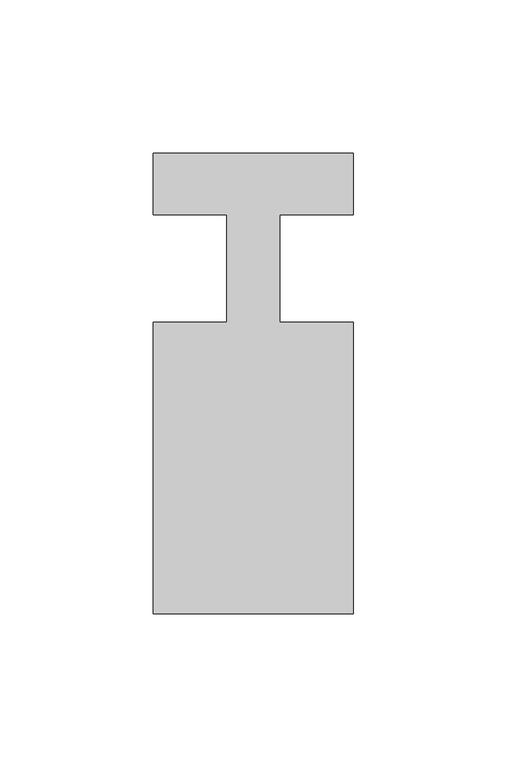
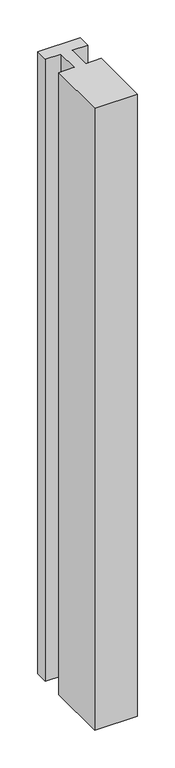
"""IFC4 building model written with IfcOpenShell, lengths in millimetres: member geometry."""

from ifc_helpers import new_model, si_unit, frame, origin, place, context, project, spatial, polyline, outline, extrude, source, transform, mapped, element, save


def member_efe6ae85(model_context):
    return source(origin(), model_context, "Body", "SweptSolid", [
        extrude(outline(polyline([(-65.0, 37.0), (0.0, 37.0), (0.0, 17.0), (-23.8125, 17.0), (-23.8125, -18.0), (0.0, -18.0), (0.0, -113.0), (-65.0, -113.0), (-65.0, -18.0), (-41.1875, -18.0), (-41.1875, 17.0), (-65.0, 17.0), (-65.0, 37.0)])), frame((0.0, 0.0, -1004.0982143), z_axis=(0.0, 0.0, 1.0), x_axis=(1.0, 0.0, 0.0)), (0.0, 0.0, 1.0), 1004.0982143),
    ])


if __name__ == "__main__":
    model = new_model("IFC4")
    model_context = context("Model", 3, world=origin())
    ifc_project = project(units=[si_unit("LENGTHUNIT", "METRE", prefix="MILLI")], contexts=[model_context])
    site = spatial("IfcSite", under=ifc_project)
    building = spatial("IfcBuilding", under=site)
    placement = place(None, origin())
    member_shape = member_efe6ae85(model_context)
    element("IfcMember", 1, at=placement, inside=building, context=model_context, shape_type="MappedRepresentation", body=[
        mapped(member_shape, transform((0.0, 0.0, 0.0), x_axis=(1.0, 0.0, 0.0), y_axis=(0.0, 1.0, 0.0), z_axis=(0.0, 0.0, 1.0))),
    ])
    save(model, "model.ifc")
